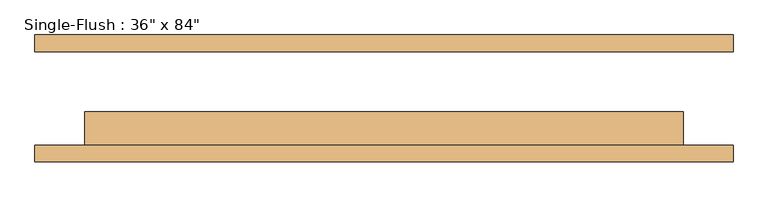
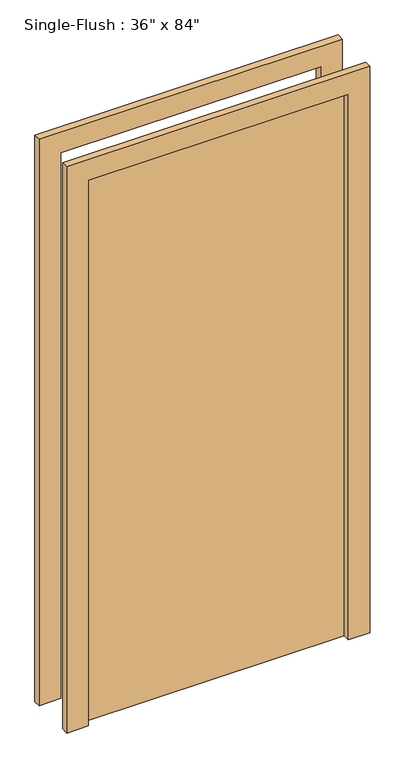
"""IFC4 building model written with IfcOpenShell, lengths in millimetres: door geometry."""

from ifc_helpers import new_model, si_unit, frame, origin, origin_with_axes, place, context, project, spatial, polyline, outline, extrude, source, transform, mapped, element, save


def door_f95ba0d5(model_context):
    return source(origin(), model_context, "Body", "SweptSolid", [
        extrude(outline(polyline([(2106.2, -533.4), (0.0, -533.4), (0.0, -457.2), (2030.0, -457.2), (2030.0, 457.2), (0.0, 457.2), (0.0, 533.4), (2106.2, 533.4), (2106.2, -533.4)])), frame((0.0, -96.8375, 0.0), z_axis=(0.0, 1.0, 0.0), x_axis=(0.0, 0.0, 1.0)), (0.0, 0.0, 1.0), 25.4),
        extrude(outline(polyline([(2106.2, 533.4), (2106.2, -533.4), (0.0, -533.4), (0.0, -457.2), (2030.0, -457.2), (2030.0, 457.2), (0.0, 457.2), (0.0, 533.4), (2106.2, 533.4)])), frame((0.0, 71.4375, 0.0), z_axis=(0.0, 1.0, 0.0), x_axis=(0.0, 0.0, 1.0)), (0.0, 0.0, 1.0), 25.4),
        extrude(outline(polyline([(457.2, -20.6375), (457.2, -71.4375), (-457.2, -71.4375), (-457.2, -20.6375), (457.2, -20.6375)])), origin_with_axes(), (0.0, 0.0, 1.0), 2030.0),
    ])


if __name__ == "__main__":
    model = new_model("IFC4")
    model_context = context("Model", 3, world=origin())
    ifc_project = project(units=[si_unit("LENGTHUNIT", "METRE", prefix="MILLI")], contexts=[model_context])
    site = spatial("IfcSite", under=ifc_project)
    building = spatial("IfcBuilding", under=site)
    placement = place(None, origin())
    door_shape = door_f95ba0d5(model_context)
    element("IfcDoor", 1, ObjectType="Single-Flush : 36\" x 84\"", at=placement, inside=building, context=model_context, shape_type="MappedRepresentation", body=[
        mapped(door_shape, transform((0.0, 0.0, 0.0), x_axis=(1.0, 0.0, 0.0), y_axis=(0.0, 1.0, 0.0), z_axis=(0.0, 0.0, 1.0))),
    ])
    save(model, "model.ifc")
